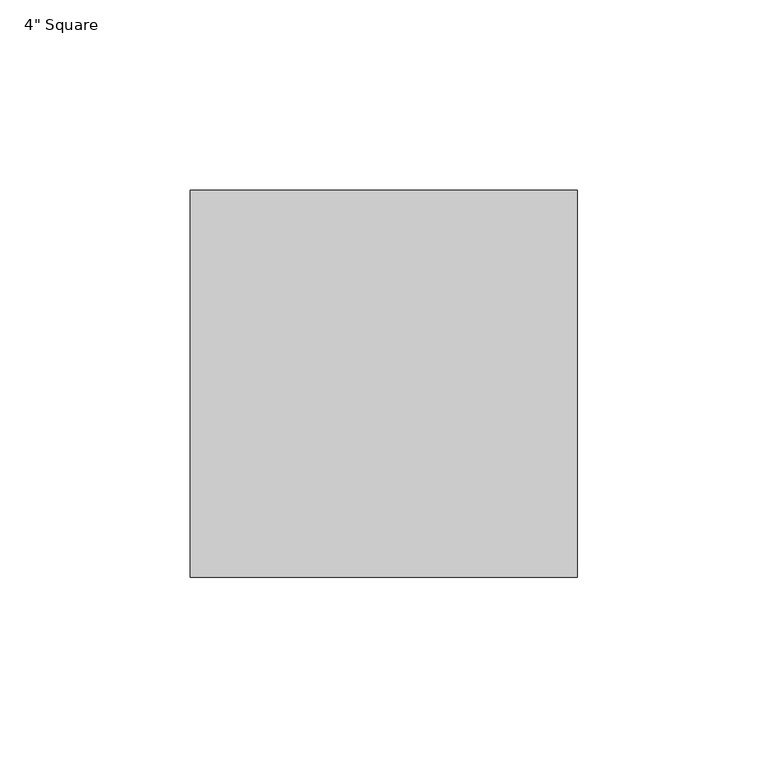
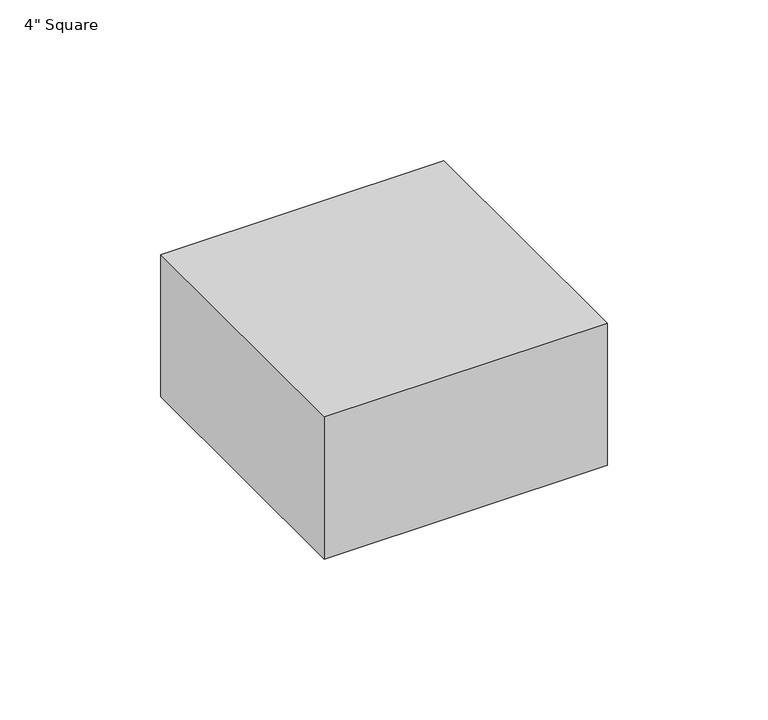
"""IFC4 building model written with IfcOpenShell, lengths in millimetres: electric appliance geometry."""

import ifcopenshell
import ifcopenshell.guid

model = None  # the IFC model being written
_history = None  # IfcOwnerHistory: only IFC2X3 demands one
_inside = {}  # id of a spatial element -> (the spatial element, [elements in it])
_under = {}  # id of a project, library or spatial element -> (it, [spatial elements below it])
_declared = {}  # id of a project -> (the project, [libraries it declares])
_typed = {}  # id of a type object -> (the type object, [elements of that type])
_made_of = {}  # id of a material, layer set ... -> (it, [elements and type objects made of it])


def new_model(schema):
    """Start an empty IFC model of exactly this schema.

    Asked for "IFC4X3", IfcOpenShell would pick the latest addendum, in which some entities
    have other attributes; the version numbers below select the first issue.
    IFC2X3 requires an IfcOwnerHistory on every rooted entity: one is made here for all.
    """
    global model, _history
    if schema == "IFC4X3":
        model = ifcopenshell.file(schema_version=(4, 3, 0, 0))
    else:
        model = ifcopenshell.file(schema=schema)
    _inside.clear()
    _under.clear()
    _declared.clear()
    _typed.clear()
    _made_of.clear()
    _history = None
    if model.schema == "IFC2X3":
        org = make("IfcOrganization", Name="unknown")
        user = make(
            "IfcPersonAndOrganization",
            ThePerson=make("IfcPerson", FamilyName="unknown"),
            TheOrganization=org,
        )
        app = make(
            "IfcApplication",
            ApplicationDeveloper=org,
            Version="unknown",
            ApplicationFullName="unknown",
            ApplicationIdentifier="unknown",
        )
        _history = make(
            "IfcOwnerHistory",
            OwningUser=user,
            OwningApplication=app,
            ChangeAction="ADDED",
            CreationDate=0,
        )
    return model


def make(cls, **values):
    """One entity of the class cls with the attributes given. An attribute that is None is left unset."""
    return model.create_entity(
        cls, **{name: value for name, value in values.items() if value is not None}
    )


def rooted(cls, **values):
    """An entity with a GlobalId (a new one), such as an element, a storey or a relation."""
    return make(cls, GlobalId=ifcopenshell.guid.new(), OwnerHistory=_history, **values)


def si_unit(unit_type, name, prefix=None):
    """IfcSIUnit, for example si_unit("LENGTHUNIT", "METRE", prefix="MILLI")."""
    return make("IfcSIUnit", UnitType=unit_type, Prefix=prefix, Name=name)


def assignment(units):
    """IfcUnitAssignment: the units of a project."""
    return None if units is None else make("IfcUnitAssignment", Units=units)


def point(xyz):
    """IfcCartesianPoint."""
    return None if xyz is None else make("IfcCartesianPoint", Coordinates=xyz)


def direction(xyz):
    """IfcDirection."""
    return None if xyz is None else make("IfcDirection", DirectionRatios=xyz)


def frame(location, z_axis=None, x_axis=None):
    """IfcAxis2Placement3D, a coordinate frame: its origin and axes. An axis left out is left unset."""
    return make(
        "IfcAxis2Placement3D",
        Location=point(location),
        Axis=direction(z_axis),
        RefDirection=direction(x_axis),
    )


def origin():
    """The frame at (0, 0, 0) with its axes left unset."""
    return frame((0.0, 0.0, 0.0))


def origin_with_axes():
    """The frame at (0, 0, 0) with the z axis (0, 0, 1) and the x axis (1, 0, 0) written out."""
    return frame((0.0, 0.0, 0.0), z_axis=(0.0, 0.0, 1.0), x_axis=(1.0, 0.0, 0.0))


def place(relative_to, where):
    """IfcLocalPlacement: puts the frame where relative to a parent placement (None: the world)."""
    return make(
        "IfcLocalPlacement", PlacementRelTo=relative_to, RelativePlacement=where
    )


def context(
    kind, dimensions, precision=None, world=None, true_north=None, identifier=None
):
    """IfcGeometricRepresentationContext, for example the 3D "Model" context."""
    return make(
        "IfcGeometricRepresentationContext",
        ContextIdentifier=identifier,
        ContextType=kind,
        CoordinateSpaceDimension=dimensions,
        Precision=precision,
        WorldCoordinateSystem=world,
        TrueNorth=true_north,
    )


def project(units=None, contexts=None):
    """IfcProject with its units and contexts."""
    return rooted(
        "IfcProject",
        Name="project",
        RepresentationContexts=contexts,
        UnitsInContext=assignment(units),
    )


def spatial(cls, under=None, at=None, **own):
    """A site, building, storey or space (cls), placed at a placement, below another one or the project."""
    s = rooted(cls, ObjectPlacement=at, **own)
    if under is not None:
        _under.setdefault(under.id(), (under, []))[1].append(s)
    return s


def polyline(points):
    """IfcPolyline through the points."""
    return make("IfcPolyline", Points=[point(p) for p in points])


def outline(outer, holes=None, kind="AREA"):
    """IfcArbitraryClosedProfileDef: a profile drawn as a closed curve; with holes, ...WithVoids."""
    if holes is None:
        return make("IfcArbitraryClosedProfileDef", ProfileType=kind, OuterCurve=outer)
    return make(
        "IfcArbitraryProfileDefWithVoids",
        ProfileType=kind,
        OuterCurve=outer,
        InnerCurves=holes,
    )


def extrude(swept, where, along, depth):
    """IfcExtrudedAreaSolid: the profile swept, set in the frame where, extruded along a direction by depth."""
    return make(
        "IfcExtrudedAreaSolid",
        SweptArea=swept,
        Position=where,
        ExtrudedDirection=direction(along),
        Depth=depth,
    )


def shape(context_of_items, identifier, shape_type, items):
    """IfcShapeRepresentation: the items that make up one representation, for example the "Body"."""
    return make(
        "IfcShapeRepresentation",
        ContextOfItems=context_of_items,
        RepresentationIdentifier=identifier,
        RepresentationType=shape_type,
        Items=items,
    )


def source(mapping_origin, context_of_items, identifier, shape_type, items):
    """IfcRepresentationMap: a shape defined once, which mapped items show again and again."""
    return make(
        "IfcRepresentationMap",
        MappingOrigin=mapping_origin,
        MappedRepresentation=shape(context_of_items, identifier, shape_type, items),
    )


def transform(
    local_origin,
    x_axis=None,
    y_axis=None,
    z_axis=None,
    scale=None,
    scale2=None,
    scale3=None,
    uniform=True,
):
    """IfcCartesianTransformationOperator3D, or its non-uniform kind. x_axis, y_axis, z_axis: its Axis1, 2, 3."""
    if uniform:
        return make(
            "IfcCartesianTransformationOperator3D",
            Axis1=direction(x_axis),
            Axis2=direction(y_axis),
            LocalOrigin=point(local_origin),
            Scale=scale,
            Axis3=direction(z_axis),
        )
    return make(
        "IfcCartesianTransformationOperator3DnonUniform",
        Axis1=direction(x_axis),
        Axis2=direction(y_axis),
        LocalOrigin=point(local_origin),
        Scale=scale,
        Axis3=direction(z_axis),
        Scale2=scale2,
        Scale3=scale3,
    )


def mapped(mapping_source, mapping_target):
    """IfcMappedItem: shows the shape of a source again, moved by a transform."""
    return make(
        "IfcMappedItem", MappingSource=mapping_source, MappingTarget=mapping_target
    )


def made_of(thing, what):
    """Note that an element or type object is made of a material, layer set ...; save() writes the relation."""
    if what is not None:
        _made_of.setdefault(what.id(), (what, []))[1].append(thing)
    return thing


def element(
    cls,
    number,
    at=None,
    inside=None,
    cuts=None,
    type_object=None,
    material=None,
    context=None,
    identifier="Body",
    shape_type=None,
    held_by="IfcProductDefinitionShape",
    body=None,
    shapes=None,
    **own,
):
    """One element of the class cls, such as IfcWall. Its Tag is "e" and its number.

    at: its placement. inside: the storey or other place that contains it. cuts: it is an
    opening in that element (IfcRelVoidsElement). A single representation is given by context,
    identifier, shape_type and body (its items); several are given by shapes. held_by: the class
    of the entity that holds the representations. save() writes the other relations.
    """
    e = rooted(cls, Tag="e%d" % number, ObjectPlacement=at, **own)
    if body is not None:
        shapes = [shape(context, identifier, shape_type, body)]
    if shapes is not None:
        e.Representation = make(held_by, Representations=shapes)
    if inside is not None:
        _inside.setdefault(inside.id(), (inside, []))[1].append(e)
    if cuts is not None:
        rooted(
            "IfcRelVoidsElement", RelatingBuildingElement=cuts, RelatedOpeningElement=e
        )
    if type_object is not None:
        _typed.setdefault(type_object.id(), (type_object, []))[1].append(e)
    return made_of(e, material)


def aggregate(whole, parts):
    """IfcRelAggregates: a whole, such as a stair, and the parts it consists of."""
    return rooted("IfcRelAggregates", RelatingObject=whole, RelatedObjects=parts)


def save(model, path):
    """Write the relations noted so far, then the file.

    IfcRelAggregates (storeys below a building ...), IfcRelContainedInSpatialStructure (elements
    in a storey), IfcRelDefinesByType, IfcRelAssociatesMaterial and IfcRelDeclares: one each for
    every whole, place, type object, material and project.
    """
    for whole, parts in _under.values():
        aggregate(whole, parts)
    for where, things in _inside.values():
        rooted(
            "IfcRelContainedInSpatialStructure",
            RelatedElements=things,
            RelatingStructure=where,
        )
    for kind, things in _typed.values():
        rooted("IfcRelDefinesByType", RelatedObjects=things, RelatingType=kind)
    for what, things in _made_of.values():
        rooted("IfcRelAssociatesMaterial", RelatedObjects=things, RelatingMaterial=what)
    for by, libraries in _declared.values():
        rooted("IfcRelDeclares", RelatingContext=by, RelatedDefinitions=libraries)
    model.write(path)


def electric_appliance_222d7609(model_context):
    return source(origin(), model_context, "Body", "SweptSolid", [
        extrude(outline(polyline([(50.8, 50.8), (50.8, -50.8), (-50.8, -50.8), (-50.8, 50.8), (50.8, 50.8)])), origin_with_axes(), (0.0, 0.0, 1.0), 53.975),
    ])


if __name__ == "__main__":
    model = new_model("IFC4")
    model_context = context("Model", 3, world=origin())
    ifc_project = project(units=[si_unit("LENGTHUNIT", "METRE", prefix="MILLI")], contexts=[model_context])
    site = spatial("IfcSite", under=ifc_project)
    building = spatial("IfcBuilding", under=site)
    placement = place(None, origin())
    electric_appliance_shape = electric_appliance_222d7609(model_context)
    element("IfcElectricAppliance", 1, ObjectType="4\" Square", at=placement, inside=building, context=model_context, shape_type="MappedRepresentation", body=[
        mapped(electric_appliance_shape, transform((0.0, 0.0, 0.0), x_axis=(1.0, 0.0, 0.0), y_axis=(0.0, 1.0, 0.0), z_axis=(0.0, 0.0, 1.0))),
    ])
    save(model, "model.ifc")
